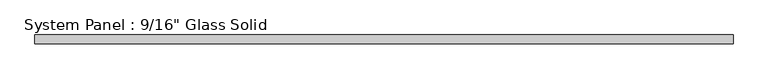
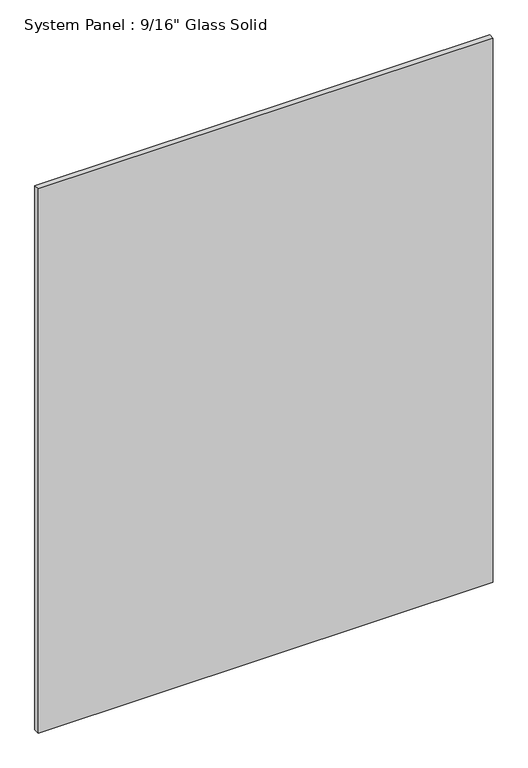
"""IFC4 building model written with IfcOpenShell, lengths in millimetres: plate geometry."""

from ifc_helpers import new_model, si_unit, origin, origin_with_axes, place, context, project, spatial, polyline, outline, extrude, source, transform, mapped, element, save


def plate_56b1d5b7(model_context):
    return source(origin(), model_context, "Body", "SweptSolid", [
        extrude(outline(polyline([(562.5555865, -7.14375), (-562.5555865, -7.14375), (-562.5555865, 7.14375), (562.5555865, 7.14375), (562.5555865, -7.14375)])), origin_with_axes(), (0.0, 0.0, 1.0), 1422.2894027),
    ])


if __name__ == "__main__":
    model = new_model("IFC4")
    model_context = context("Model", 3, world=origin())
    ifc_project = project(units=[si_unit("LENGTHUNIT", "METRE", prefix="MILLI")], contexts=[model_context])
    site = spatial("IfcSite", under=ifc_project)
    building = spatial("IfcBuilding", under=site)
    placement = place(None, origin())
    plate_shape = plate_56b1d5b7(model_context)
    element("IfcPlate", 1, ObjectType="System Panel : 9/16\" Glass Solid", at=placement, inside=building, context=model_context, shape_type="MappedRepresentation", body=[
        mapped(plate_shape, transform((0.0, 0.0, 0.0), x_axis=(1.0, 0.0, 0.0), y_axis=(0.0, 1.0, 0.0), z_axis=(0.0, 0.0, 1.0))),
    ])
    save(model, "model.ifc")
